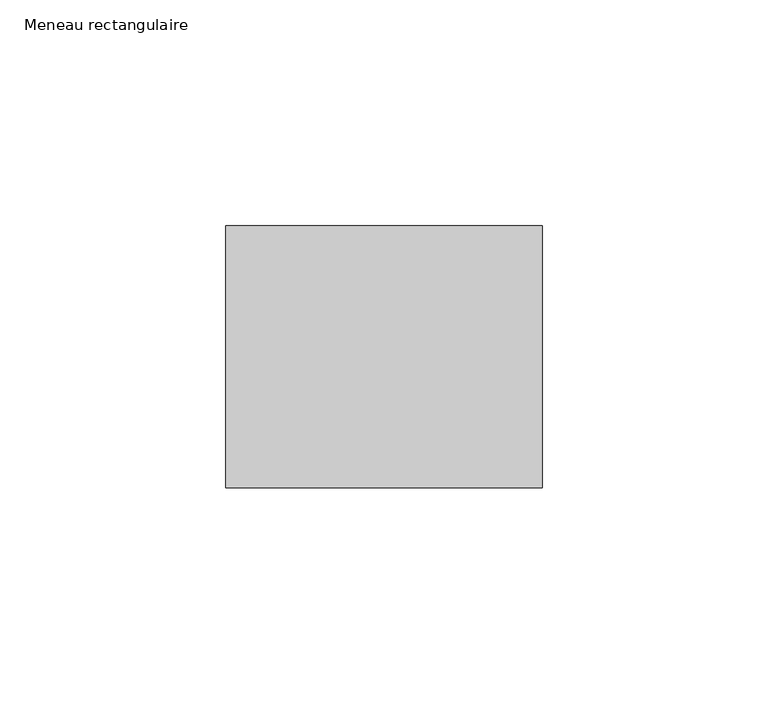
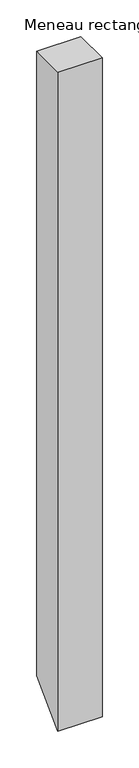
"""IFC4 building model written with IfcOpenShell, lengths in millimetres: member geometry, Meneau rectangulaire."""

from ifc_helpers import new_model, si_unit, frame, origin, place, context, project, spatial, polyline, outline, extrude, source, transform, mapped, element, save


def meneau_rectangulaire_301358f0(model_context):
    return source(origin(), model_context, "Body", "SweptSolid", [
        extrude(outline(polyline([(-29.0, 0.0), (29.0, 0.0), (29.0, -1042.3830689), (-29.0, -1100.3830689), (-29.0, 0.0)])), frame((-70.0, 0.0, 0.0), z_axis=(1.0, 0.0, 0.0), x_axis=(0.0, 1.0, 0.0)), (0.0, 0.0, 1.0), 70.0),
    ])


if __name__ == "__main__":
    model = new_model("IFC4")
    model_context = context("Model", 3, world=origin())
    ifc_project = project(units=[si_unit("LENGTHUNIT", "METRE", prefix="MILLI")], contexts=[model_context])
    site = spatial("IfcSite", under=ifc_project)
    building = spatial("IfcBuilding", under=site)
    placement = place(None, origin())
    meneau_rectangulaire_shape = meneau_rectangulaire_301358f0(model_context)
    element("IfcMember", 1, ObjectType="Meneau rectangulaire", at=placement, inside=building, context=model_context, shape_type="MappedRepresentation", body=[
        mapped(meneau_rectangulaire_shape, transform((0.0, 0.0, 0.0), x_axis=(1.0, 0.0, 0.0), y_axis=(0.0, 1.0, 0.0), z_axis=(0.0, 0.0, 1.0))),
    ])
    save(model, "model.ifc")
